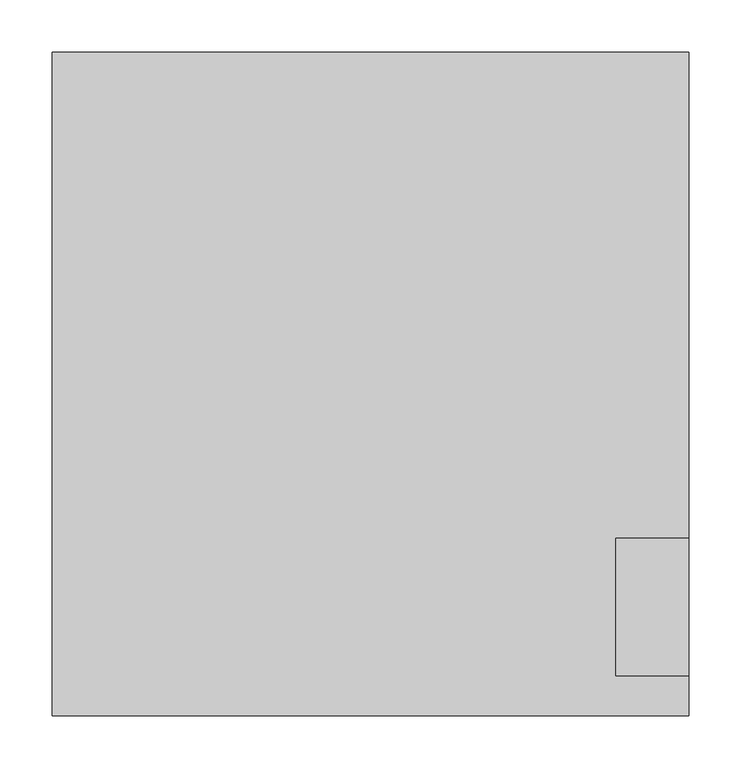
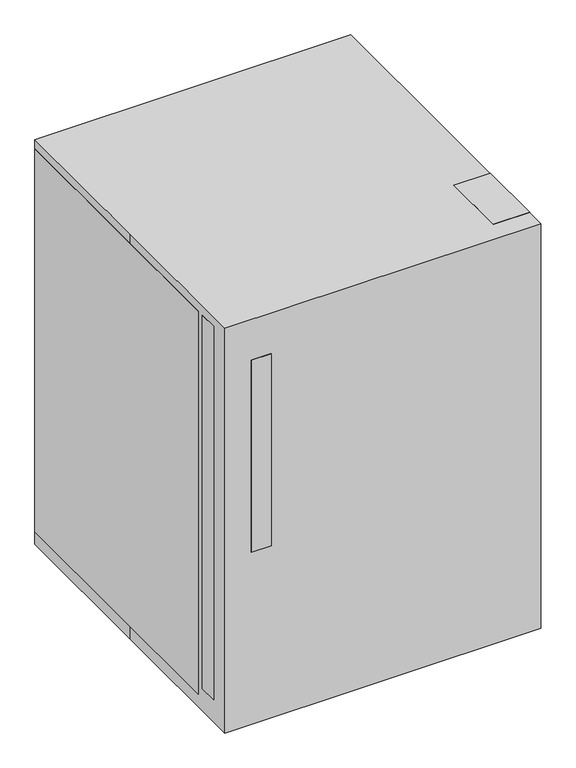
"""IFC4 building model written with IfcOpenShell, lengths in millimetres: proxy geometry."""

from ifc_helpers import new_model, si_unit, point, frame, frame_2d, origin, origin_with_axes, place, context, project, spatial, polyline, circle_curve, trimmed, segment, composite_curve, outline, extrude, source, transform, mapped, element, save


def specialty_equipment_7427381c(model_context):
    return source(origin(), model_context, "Body", "SweptSolid", [
        extrude(outline(polyline([(304.8, -279.4), (234.95, -279.4), (234.95, -228.6), (304.8, -228.6), (304.8, -279.4)])), frame((0.0, 0.0, 25.4), z_axis=(0.0, 0.0, 1.0), x_axis=(1.0, 0.0, 0.0)), (0.0, 0.0, 1.0), 19.05),
        extrude(outline(polyline([(-317.5, 351.4614039), (-317.5, 742.95), (-279.4, 742.95), (-279.4, 730.2659299), (-304.8159299, 730.2659299), (-304.8159299, 364.1614039), (-279.4, 364.1614039), (-279.4, 351.4614039), (-317.5, 351.4614039)])), frame((-254.0, 0.0, 0.0), z_axis=(1.0, 0.0, 0.0), x_axis=(0.0, 1.0, 0.0)), (0.0, 0.0, 1.0), 38.1),
        extrude(outline(polyline([(304.8, -279.4), (234.95, -279.4), (234.95, -147.9315495), (304.8, -147.9315495), (304.8, -279.4)])), frame((0.0, 0.0, 806.45), z_axis=(0.0, 0.0, 1.0), x_axis=(1.0, 0.0, 0.0)), (0.0, 0.0, 1.0), 19.05),
        extrude(outline(polyline([(292.1, -241.3), (-292.1, -241.3), (-292.1, -228.6), (292.1, -228.6), (292.1, -241.3)])), frame((0.0, 0.0, 66.7735467), z_axis=(0.0, 0.0, 1.0), x_axis=(1.0, 0.0, 0.0)), (0.0, 0.0, 1.0), 720.6264533),
        extrude(outline(polyline([(304.8, -279.4), (-304.8, -279.4), (-304.8, -241.3), (304.8, -241.3), (304.8, -279.4)])), frame((0.0, 0.0, 44.45), z_axis=(0.0, 0.0, 1.0), x_axis=(1.0, 0.0, 0.0)), (0.0, 0.0, 1.0), 762.0),
        extrude(outline(polyline([(304.8, 317.5), (304.8, -228.6), (-304.8, -228.6), (-304.8, 317.5), (304.8, 317.5)])), frame((0.0, 0.0, 25.4), z_axis=(0.0, 0.0, 1.0), x_axis=(1.0, 0.0, 0.0)), (0.0, 0.0, 1.0), 781.05),
        extrude(outline(composite_curve([segment(trimmed(circle_curve(frame_2d((-231.6775617, -167.1820241)), 31.75), [point((-199.9275617, -167.1820241))], [point((-263.4275617, -167.1820241))], False, "CARTESIAN"), True, "CONTINUOUS"), segment(trimmed(circle_curve(frame_2d((-231.6775617, -167.1820241)), 31.75), [point((-263.4275617, -167.1820241))], [point((-199.9275617, -167.1820241))], False, "CARTESIAN"), True, "CONTINUOUS")], self_intersect=False)), origin_with_axes(), (0.0, 0.0, 1.0), 25.4),
        extrude(outline(composite_curve([segment(trimmed(circle_curve(frame_2d((231.6775617, -167.1820241)), 31.75), [point((199.9275617, -167.1820241))], [point((263.4275617, -167.1820241))], False, "CARTESIAN"), True, "CONTINUOUS"), segment(trimmed(circle_curve(frame_2d((231.6775617, -167.1820241)), 31.75), [point((263.4275617, -167.1820241))], [point((199.9275617, -167.1820241))], False, "CARTESIAN"), True, "CONTINUOUS")], self_intersect=False)), origin_with_axes(), (0.0, 0.0, 1.0), 25.4),
        extrude(outline(composite_curve([segment(trimmed(circle_curve(frame_2d((-231.6775617, 251.9179759)), 31.75), [point((-199.9275617, 251.9179759))], [point((-263.4275617, 251.9179759))], False, "CARTESIAN"), True, "CONTINUOUS"), segment(trimmed(circle_curve(frame_2d((-231.6775617, 251.9179759)), 31.75), [point((-263.4275617, 251.9179759))], [point((-199.9275617, 251.9179759))], False, "CARTESIAN"), True, "CONTINUOUS")], self_intersect=False)), origin_with_axes(), (0.0, 0.0, 1.0), 25.4),
        extrude(outline(composite_curve([segment(trimmed(circle_curve(frame_2d((231.6775617, 251.9179759)), 31.75), [point((199.9275617, 251.9179759))], [point((263.4275617, 251.9179759))], False, "CARTESIAN"), True, "CONTINUOUS"), segment(trimmed(circle_curve(frame_2d((231.6775617, 251.9179759)), 31.75), [point((263.4275617, 251.9179759))], [point((199.9275617, 251.9179759))], False, "CARTESIAN"), True, "CONTINUOUS")], self_intersect=False)), origin_with_axes(), (0.0, 0.0, 1.0), 25.4),
        extrude(outline(polyline([(-304.8, 317.5), (304.8, 317.5), (304.8, -317.5), (-304.8, -317.5), (-304.8, 0.0), (-304.8, 317.5)])), origin_with_axes(), (0.0, 0.0, 1.0), 825.5),
    ])


if __name__ == "__main__":
    model = new_model("IFC4")
    model_context = context("Model", 3, world=origin())
    ifc_project = project(units=[si_unit("LENGTHUNIT", "METRE", prefix="MILLI")], contexts=[model_context])
    site = spatial("IfcSite", under=ifc_project)
    building = spatial("IfcBuilding", under=site)
    placement = place(None, origin())
    specialty_equipment_shape = specialty_equipment_7427381c(model_context)
    element("IfcBuildingElementProxy", 1, Name="Specialty Equipment", at=placement, inside=building, context=model_context, shape_type="MappedRepresentation", body=[
        mapped(specialty_equipment_shape, transform((0.0, 0.0, 0.0), x_axis=(1.0, 0.0, 0.0), y_axis=(0.0, 1.0, 0.0), z_axis=(0.0, 0.0, 1.0))),
    ])
    save(model, "model.ifc")
